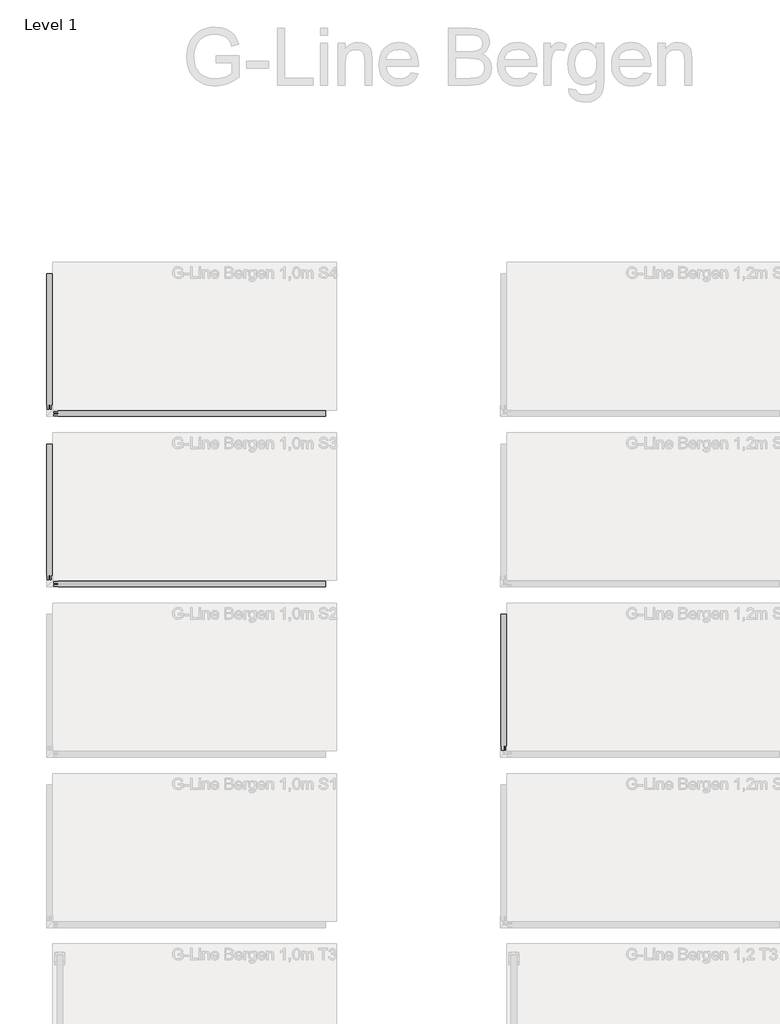
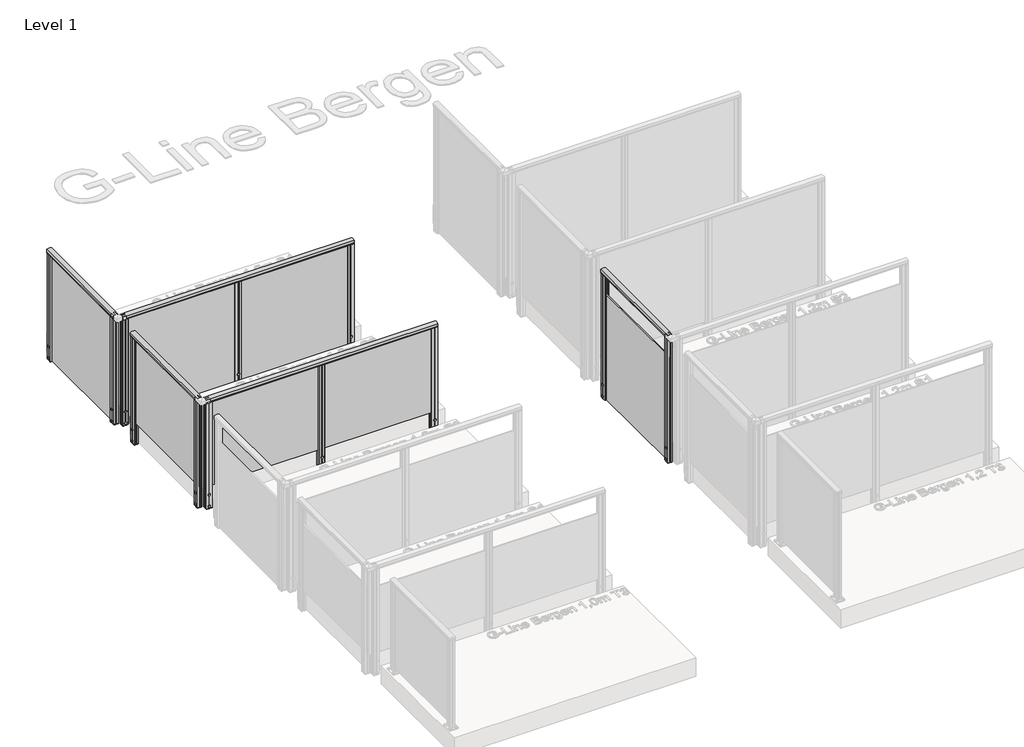
# One storey, part 7 of 14: 5 railings.
"""IFC4 building model written with IfcOpenShell, lengths in millimetres."""

from ifc_helpers import new_model, si_unit, point, frame, frame_2d, origin, place, context, project, spatial, polyline, circle_curve, trimmed, segment, composite_curve, outline, extrude, element, save

model = new_model("IFC4")

# Units and contexts
model_context = context("Model", 3, world=origin())
ifc_project = project(units=[si_unit("LENGTHUNIT", "METRE", prefix="MILLI")], contexts=[model_context])

# Site, building, storey
site = spatial("IfcSite", under=ifc_project)
building = spatial("IfcBuilding", under=site)
storey = spatial("IfcBuildingStorey", under=building, Name="Level 1", Elevation=0.0)

# Railings
placement = place(None, origin())
element("IfcRailing", 1, at=placement, inside=storey, context=model_context, shape_type="SweptSolid", body=[
    extrude(outline(composite_curve([segment(trimmed(circle_curve(frame_2d((942.6785502, -1888.3699367)), 57.3235687), [point((994.1390059, -1863.1149764))], [point((994.1342258, -1913.6346347))], False, "CARTESIAN"), True, "CONTINUOUS"), segment(polyline([(994.1342258, -1913.6346347), (967.0235023, -1913.6346347), (966.4415706, -1913.052703), (965.8194895, -1913.674784), (957.2498847, -1913.674784), (957.2498847, -1911.8698311), (980.4998829, -1911.8698311), (980.4998829, -1864.874785), (957.2498847, -1864.874785), (957.2498847, -1863.1149764), (965.9694895, -1863.1149764), (966.5842725, -1863.7297594), (967.1990555, -1863.1149764), (994.1390059, -1863.1149764)]), True, "CONTINUOUS")], self_intersect=False)), frame((0.0, 1485.7155458, 0.0), z_axis=(0.0, 1.0, 0.0), x_axis=(0.0, 0.0, 1.0)), (0.0, 0.0, 1.0), 1195.0),
    extrude(outline(polyline([(-1892.0345604, 2680.7155458), (-1883.2745604, 2680.7155458), (-1883.2745604, 1485.7155458), (-1892.0345604, 1485.7155458), (-1892.0345604, 2680.7155458)])), frame((0.0, 0.0, 28.0), z_axis=(0.0, 0.0, 1.0), x_axis=(1.0, 0.0, 0.0)), (0.0, 0.0, 1.0), 952.0),
    extrude(outline(polyline([(-1883.3086985, 1485.7171389), (-1883.3061212, 1503.2171387), (-1892.0661212, 1503.2184288), (-1892.0686984, 1485.718429), (-1910.1235058, 1485.7210879), (-1910.1192177, 1514.8380749), (-1909.2407956, 1515.7162383), (-1910.159128, 1516.7541062), (-1910.154862, 1545.7210931), (-1892.0598622, 1545.7184283), (-1892.0624394, 1528.2184285), (-1883.3024395, 1528.2171384), (-1883.2998623, 1545.7171382), (-1865.1949112, 1545.7144719), (-1865.1991844, 1516.6979964), (-1866.187574, 1515.7098979), (-1865.1594327, 1514.6814537), (-1865.1636986, 1485.7144667), (-1883.3086985, 1485.7171389)])), frame((0.0, 0.0, -202.0233958), z_axis=(0.0, 0.0, 1.0), x_axis=(1.0, 0.0, 0.0)), (0.0, 0.0, 1.0), 2.0),
    extrude(outline(composite_curve([segment(trimmed(circle_curve(frame_2d((0.0, 12.0)), 12.0), [point((0.0, 23.9999999))], [point((0.0, 0.0))], False, "CARTESIAN"), True, "CONTINUOUS"), segment(trimmed(circle_curve(frame_2d((0.0, 12.0)), 12.0), [point((0.0, 0.0))], [point((0.0, 23.9999999))], False, "CARTESIAN"), True, "CONTINUOUS")], self_intersect=False)), frame((-1910.1140255, 1527.7245834, -175.0), z_axis=(-0.9999999188284006, 0.0004029183446997833, 0.0), x_axis=(0.0, 0.0, -1.0)), (0.0, 0.0, 1.0), 3.0757477),
    extrude(outline(composite_curve([segment(trimmed(circle_curve(frame_2d((0.0, 12.0)), 12.0), [point((0.0, 23.9999999))], [point((0.0, 0.0))], False, "CARTESIAN"), True, "CONTINUOUS"), segment(trimmed(circle_curve(frame_2d((0.0, 12.0)), 12.0), [point((0.0, 0.0))], [point((0.0, 23.9999999))], False, "CARTESIAN"), True, "CONTINUOUS")], self_intersect=False)), frame((-1910.1140255, 1527.7245834, -50.0), z_axis=(-0.9999999188284006, 0.0004029183446997833, 0.0), x_axis=(0.0, 0.0, -1.0)), (0.0, 0.0, 1.0), 3.0757477),
    extrude(outline(polyline([(-1883.3086985, 1485.7171389), (-1883.3061212, 1503.2171387), (-1892.0661212, 1503.2184288), (-1892.0686984, 1485.718429), (-1910.1235058, 1485.7210879), (-1910.1192177, 1514.8380749), (-1909.2407956, 1515.7162383), (-1910.159128, 1516.7541062), (-1910.154862, 1545.7210931), (-1892.0598622, 1545.7184283), (-1892.0624394, 1528.2184285), (-1883.3024395, 1528.2171384), (-1883.2998623, 1545.7171382), (-1865.1949112, 1545.7144719), (-1865.1991844, 1516.6979964), (-1866.187574, 1515.7098979), (-1865.1594327, 1514.6814537), (-1865.1636986, 1485.7144667), (-1883.3086985, 1485.7171389)]), holes=[polyline([(-1908.1605761, 1524.5147608), (-1908.1605761, 1506.9207991), (-1867.1579846, 1506.9207991), (-1867.1579846, 1524.5147608), (-1908.1605761, 1524.5147608)]), polyline([(-1881.3026899, 1543.7147606), (-1881.3026899, 1526.5168439), (-1867.155157, 1526.5168439), (-1867.155157, 1543.7147606), (-1881.3026899, 1543.7147606)]), polyline([(-1908.1605761, 1543.7187229), (-1908.1605761, 1526.5207992), (-1894.0601567, 1526.5207992), (-1894.0601567, 1543.7187229), (-1908.1605761, 1543.7187229)]), polyline([(-1881.3084039, 1504.9147611), (-1881.3084039, 1487.7168444), (-1867.1608711, 1487.7168444), (-1867.1608711, 1504.9147611), (-1881.3084039, 1504.9147611)]), polyline([(-1908.2134036, 1504.9187233), (-1908.2134036, 1487.7208066), (-1894.0658708, 1487.7208066), (-1894.0658708, 1504.9187233), (-1908.2134036, 1504.9187233)])]), frame((0.0, 0.0, -200.0), z_axis=(0.0, 0.0, 1.0), x_axis=(1.0, 0.0, 0.0)), (0.0, 0.0, 1.0), 1181.0),
    extrude(outline(polyline([(-1883.3086985, 2620.7171389), (-1883.3061212, 2638.2171387), (-1892.0661212, 2638.2184288), (-1892.0686984, 2620.718429), (-1910.1235058, 2620.7210879), (-1910.1192177, 2649.8380749), (-1909.2407956, 2650.7162383), (-1910.159128, 2651.7541062), (-1910.154862, 2680.7210931), (-1892.0598622, 2680.7184283), (-1892.0624394, 2663.2184285), (-1883.3024395, 2663.2171384), (-1883.2998623, 2680.7171382), (-1865.1949112, 2680.7144719), (-1865.1991844, 2651.6979964), (-1866.187574, 2650.7098979), (-1865.1594327, 2649.6814537), (-1865.1636986, 2620.7144667), (-1883.3086985, 2620.7171389)])), frame((0.0, 0.0, -202.0233958), z_axis=(0.0, 0.0, 1.0), x_axis=(1.0, 0.0, 0.0)), (0.0, 0.0, 1.0), 2.0),
    extrude(outline(composite_curve([segment(trimmed(circle_curve(frame_2d((0.0, 12.0)), 12.0), [point((0.0, 23.9999999))], [point((0.0, 0.0))], False, "CARTESIAN"), True, "CONTINUOUS"), segment(trimmed(circle_curve(frame_2d((0.0, 12.0)), 12.0), [point((0.0, 0.0))], [point((0.0, 23.9999999))], False, "CARTESIAN"), True, "CONTINUOUS")], self_intersect=False)), frame((-1910.1140255, 2662.7245834, -175.0), z_axis=(-0.9999999188284006, 0.0004029183446997833, 0.0), x_axis=(0.0, 0.0, -1.0)), (0.0, 0.0, 1.0), 3.0757477),
    extrude(outline(composite_curve([segment(trimmed(circle_curve(frame_2d((0.0, 12.0)), 12.0), [point((0.0, 23.9999999))], [point((0.0, 0.0))], False, "CARTESIAN"), True, "CONTINUOUS"), segment(trimmed(circle_curve(frame_2d((0.0, 12.0)), 12.0), [point((0.0, 0.0))], [point((0.0, 23.9999999))], False, "CARTESIAN"), True, "CONTINUOUS")], self_intersect=False)), frame((-1910.1140255, 2662.7245834, -50.0), z_axis=(-0.9999999188284006, 0.0004029183446997833, 0.0), x_axis=(0.0, 0.0, -1.0)), (0.0, 0.0, 1.0), 3.0757477),
    extrude(outline(polyline([(-1883.3086985, 2620.7171389), (-1883.3061212, 2638.2171387), (-1892.0661212, 2638.2184288), (-1892.0686984, 2620.718429), (-1910.1235058, 2620.7210879), (-1910.1192177, 2649.8380749), (-1909.2407956, 2650.7162383), (-1910.159128, 2651.7541062), (-1910.154862, 2680.7210931), (-1892.0598622, 2680.7184283), (-1892.0624394, 2663.2184285), (-1883.3024395, 2663.2171384), (-1883.2998623, 2680.7171382), (-1865.1949112, 2680.7144719), (-1865.1991844, 2651.6979964), (-1866.187574, 2650.7098979), (-1865.1594327, 2649.6814537), (-1865.1636986, 2620.7144667), (-1883.3086985, 2620.7171389)]), holes=[polyline([(-1908.1605761, 2659.5147608), (-1908.1605761, 2641.9207991), (-1867.1579846, 2641.9207991), (-1867.1579846, 2659.5147608), (-1908.1605761, 2659.5147608)]), polyline([(-1881.3026899, 2678.7147606), (-1881.3026899, 2661.5168439), (-1867.155157, 2661.5168439), (-1867.155157, 2678.7147606), (-1881.3026899, 2678.7147606)]), polyline([(-1908.1605761, 2678.7187229), (-1908.1605761, 2661.5207992), (-1894.0601567, 2661.5207992), (-1894.0601567, 2678.7187229), (-1908.1605761, 2678.7187229)]), polyline([(-1881.3084039, 2639.9147611), (-1881.3084039, 2622.7168444), (-1867.1608711, 2622.7168444), (-1867.1608711, 2639.9147611), (-1881.3084039, 2639.9147611)]), polyline([(-1908.2134036, 2639.9187233), (-1908.2134036, 2622.7208066), (-1894.0658708, 2622.7208066), (-1894.0658708, 2639.9187233), (-1908.2134036, 2639.9187233)])]), frame((0.0, 0.0, -200.0), z_axis=(0.0, 0.0, 1.0), x_axis=(1.0, 0.0, 0.0)), (0.0, 0.0, 1.0), 1181.0),
])
element("IfcRailing", 2, at=placement, inside=storey, context=model_context, shape_type="SweptSolid", body=[
    extrude(outline(composite_curve([segment(polyline([(1475.2551298, 994.1390059), (1475.2551298, 967.1990555), (1474.6403468, 966.5842725), (1475.2551298, 965.9694895), (1475.2551298, 957.2498847), (1473.4953213, 957.2498847), (1473.4953213, 980.4998829), (1426.5002751, 980.4998829), (1426.5002751, 957.2498847), (1424.6953222, 957.2498847), (1424.6953222, 965.8194895), (1425.3174033, 966.4415706), (1424.7354716, 967.0235023), (1424.7354716, 994.1342258)]), True, "CONTINUOUS"), segment(trimmed(circle_curve(frame_2d((1450.0001695, 942.6785502)), 57.3235687), [point((1424.7354716, 994.1342258))], [point((1475.2551298, 994.1390059))], False, "CARTESIAN"), True, "CONTINUOUS")], self_intersect=False)), frame((-1852.6545604, 0.0, 0.0), z_axis=(1.0, 0.0, 0.0), x_axis=(0.0, 1.0, 0.0)), (0.0, 0.0, 1.0), 2395.0),
    extrude(outline(polyline([(-1852.6545604, 1446.3355458), (-1852.6545604, 1455.0955458), (542.3454396, 1455.0955458), (542.3454396, 1446.3355458), (-1852.6545604, 1446.3355458)])), frame((0.0, 0.0, 28.0), z_axis=(0.0, 0.0, 1.0), x_axis=(1.0, 0.0, 0.0)), (0.0, 0.0, 1.0), 952.0),
    extrude(outline(polyline([(-625.1561535, 1455.0614078), (-642.6561533, 1455.063985), (-642.6574434, 1446.3039851), (-625.1574436, 1446.3014079), (-625.1601025, 1428.2466005), (-654.2770895, 1428.2508885), (-655.1552529, 1429.1293106), (-656.1931208, 1428.2109783), (-685.1601078, 1428.2152442), (-685.1574429, 1446.310244), (-667.6574431, 1446.3076668), (-667.656153, 1455.0676667), (-685.1561528, 1455.0702439), (-685.1534865, 1473.175195), (-656.137011, 1473.1709218), (-655.1489125, 1472.1825322), (-654.1204683, 1473.2106735), (-625.1534813, 1473.2064076), (-625.1561535, 1455.0614078)])), frame((0.0, 0.0, -202.0233958), z_axis=(0.0, 0.0, 1.0), x_axis=(1.0, 0.0, 0.0)), (0.0, 0.0, 1.0), 2.0),
    extrude(outline(composite_curve([segment(trimmed(circle_curve(frame_2d((0.0, 12.0)), 12.0), [point((0.0, 24.0))], [point((0.0, 0.0))], False, "CARTESIAN"), True, "CONTINUOUS"), segment(trimmed(circle_curve(frame_2d((0.0, 12.0)), 12.0), [point((0.0, 0.0))], [point((0.0, 24.0))], False, "CARTESIAN"), True, "CONTINUOUS")], self_intersect=False)), frame((-667.1648373, 1425.1803333, -175.0), z_axis=(0.00040291834662179495, 0.9999999188283998, 0.0), x_axis=(0.0, 0.0, 1.0)), (0.0, 0.0, 1.0), 3.0757477),
    extrude(outline(composite_curve([segment(trimmed(circle_curve(frame_2d((0.0, 12.0)), 12.0), [point((0.0, 24.0))], [point((0.0, 0.0))], False, "CARTESIAN"), True, "CONTINUOUS"), segment(trimmed(circle_curve(frame_2d((0.0, 12.0)), 12.0), [point((0.0, 0.0))], [point((0.0, 24.0))], False, "CARTESIAN"), True, "CONTINUOUS")], self_intersect=False)), frame((-667.1648373, 1425.1803333, -50.0), z_axis=(0.00040291834662179495, 0.9999999188283998, 0.0), x_axis=(0.0, 0.0, 1.0)), (0.0, 0.0, 1.0), 3.0757477),
    extrude(outline(polyline([(-625.1561535, 1455.0614078), (-642.6561533, 1455.063985), (-642.6574434, 1446.3039851), (-625.1574436, 1446.3014079), (-625.1601025, 1428.2466005), (-654.2770895, 1428.2508885), (-655.1552529, 1429.1293106), (-656.1931208, 1428.2109783), (-685.1601078, 1428.2152442), (-685.1574429, 1446.310244), (-667.6574431, 1446.3076668), (-667.656153, 1455.0676667), (-685.1561528, 1455.0702439), (-685.1534865, 1473.175195), (-656.137011, 1473.1709218), (-655.1489125, 1472.1825322), (-654.1204683, 1473.2106735), (-625.1534813, 1473.2064076), (-625.1561535, 1455.0614078)]), holes=[polyline([(-663.9537754, 1430.2095302), (-646.3598137, 1430.2095302), (-646.3598137, 1471.2121217), (-663.9537754, 1471.2121217), (-663.9537754, 1430.2095302)]), polyline([(-683.1537752, 1457.0674163), (-665.9558585, 1457.0674163), (-665.9558585, 1471.2149492), (-683.1537752, 1471.2149492), (-683.1537752, 1457.0674163)]), polyline([(-683.1577375, 1430.2095302), (-665.9598138, 1430.2095302), (-665.9598138, 1444.3099495), (-683.1577375, 1444.3099495), (-683.1577375, 1430.2095302)]), polyline([(-644.3537757, 1457.0617023), (-627.155859, 1457.0617023), (-627.155859, 1471.2092352), (-644.3537757, 1471.2092352), (-644.3537757, 1457.0617023)]), polyline([(-644.3577379, 1430.1567026), (-627.1598212, 1430.1567026), (-627.1598212, 1444.3042355), (-644.3577379, 1444.3042355), (-644.3577379, 1430.1567026)])]), frame((0.0, 0.0, -200.0), z_axis=(0.0, 0.0, 1.0), x_axis=(1.0, 0.0, 0.0)), (0.0, 0.0, 1.0), 1181.0),
    extrude(outline(polyline([(542.3438465, 1455.0614078), (524.8438467, 1455.063985), (524.8425566, 1446.3039851), (542.3425564, 1446.3014079), (542.3398975, 1428.2466005), (513.2229105, 1428.2508885), (512.3447471, 1429.1293106), (511.3068792, 1428.2109783), (482.3398922, 1428.2152442), (482.3425571, 1446.310244), (499.8425569, 1446.3076668), (499.843847, 1455.0676667), (482.3438472, 1455.0702439), (482.3465135, 1473.175195), (511.362989, 1473.1709218), (512.3510875, 1472.1825322), (513.3795317, 1473.2106735), (542.3465187, 1473.2064076), (542.3438465, 1455.0614078)])), frame((0.0, 0.0, -202.0233958), z_axis=(0.0, 0.0, 1.0), x_axis=(1.0, 0.0, 0.0)), (0.0, 0.0, 1.0), 2.0),
    extrude(outline(composite_curve([segment(trimmed(circle_curve(frame_2d((0.0, 12.0)), 12.0), [point((0.0, 24.0))], [point((0.0, 0.0))], False, "CARTESIAN"), True, "CONTINUOUS"), segment(trimmed(circle_curve(frame_2d((0.0, 12.0)), 12.0), [point((0.0, 0.0))], [point((0.0, 24.0))], False, "CARTESIAN"), True, "CONTINUOUS")], self_intersect=False)), frame((500.3351627, 1425.1803333, -175.0), z_axis=(0.00040291834662179495, 0.9999999188283998, 0.0), x_axis=(0.0, 0.0, 1.0)), (0.0, 0.0, 1.0), 3.0757477),
    extrude(outline(composite_curve([segment(trimmed(circle_curve(frame_2d((0.0, 12.0)), 12.0), [point((0.0, 24.0))], [point((0.0, 0.0))], False, "CARTESIAN"), True, "CONTINUOUS"), segment(trimmed(circle_curve(frame_2d((0.0, 12.0)), 12.0), [point((0.0, 0.0))], [point((0.0, 24.0))], False, "CARTESIAN"), True, "CONTINUOUS")], self_intersect=False)), frame((500.3351627, 1425.1803333, -50.0), z_axis=(0.00040291834662179495, 0.9999999188283998, 0.0), x_axis=(0.0, 0.0, 1.0)), (0.0, 0.0, 1.0), 3.0757477),
    extrude(outline(polyline([(542.3438465, 1455.0614078), (524.8438467, 1455.063985), (524.8425566, 1446.3039851), (542.3425564, 1446.3014079), (542.3398975, 1428.2466005), (513.2229105, 1428.2508885), (512.3447471, 1429.1293106), (511.3068792, 1428.2109783), (482.3398922, 1428.2152442), (482.3425571, 1446.310244), (499.8425569, 1446.3076668), (499.843847, 1455.0676667), (482.3438472, 1455.0702439), (482.3465135, 1473.175195), (511.362989, 1473.1709218), (512.3510875, 1472.1825322), (513.3795317, 1473.2106735), (542.3465187, 1473.2064076), (542.3438465, 1455.0614078)]), holes=[polyline([(503.5462246, 1430.2095302), (521.1401863, 1430.2095302), (521.1401863, 1471.2121217), (503.5462246, 1471.2121217), (503.5462246, 1430.2095302)]), polyline([(484.3462248, 1457.0674163), (501.5441415, 1457.0674163), (501.5441415, 1471.2149492), (484.3462248, 1471.2149492), (484.3462248, 1457.0674163)]), polyline([(484.3422625, 1430.2095302), (501.5401862, 1430.2095302), (501.5401862, 1444.3099495), (484.3422625, 1444.3099495), (484.3422625, 1430.2095302)]), polyline([(523.1462243, 1457.0617023), (540.344141, 1457.0617023), (540.344141, 1471.2092352), (523.1462243, 1471.2092352), (523.1462243, 1457.0617023)]), polyline([(523.1422621, 1430.1567026), (540.3401788, 1430.1567026), (540.3401788, 1444.3042355), (523.1422621, 1444.3042355), (523.1422621, 1430.1567026)])]), frame((0.0, 0.0, -200.0), z_axis=(0.0, 0.0, 1.0), x_axis=(1.0, 0.0, 0.0)), (0.0, 0.0, 1.0), 1181.0),
    extrude(outline(polyline([(-1792.6561535, 1455.0614078), (-1810.1561533, 1455.063985), (-1810.1574434, 1446.3039851), (-1792.6574436, 1446.3014079), (-1792.6601025, 1428.2466005), (-1821.7770895, 1428.2508885), (-1822.6552529, 1429.1293106), (-1823.6931208, 1428.2109783), (-1852.6601078, 1428.2152442), (-1852.6574429, 1446.310244), (-1835.1574431, 1446.3076668), (-1835.156153, 1455.0676667), (-1852.6561528, 1455.0702439), (-1852.6534865, 1473.175195), (-1823.637011, 1473.1709218), (-1822.6489125, 1472.1825322), (-1821.6204683, 1473.2106735), (-1792.6534813, 1473.2064076), (-1792.6561535, 1455.0614078)])), frame((0.0, 0.0, -202.0233958), z_axis=(0.0, 0.0, 1.0), x_axis=(1.0, 0.0, 0.0)), (0.0, 0.0, 1.0), 2.0),
    extrude(outline(composite_curve([segment(trimmed(circle_curve(frame_2d((0.0, 12.0)), 12.0), [point((0.0, 24.0))], [point((0.0, 0.0))], False, "CARTESIAN"), True, "CONTINUOUS"), segment(trimmed(circle_curve(frame_2d((0.0, 12.0)), 12.0), [point((0.0, 0.0))], [point((0.0, 24.0))], False, "CARTESIAN"), True, "CONTINUOUS")], self_intersect=False)), frame((-1834.6648373, 1425.1803333, -175.0), z_axis=(0.00040291834662179495, 0.9999999188283998, 0.0), x_axis=(0.0, 0.0, 1.0)), (0.0, 0.0, 1.0), 3.0757477),
    extrude(outline(composite_curve([segment(trimmed(circle_curve(frame_2d((0.0, 12.0)), 12.0), [point((0.0, 24.0))], [point((0.0, 0.0))], False, "CARTESIAN"), True, "CONTINUOUS"), segment(trimmed(circle_curve(frame_2d((0.0, 12.0)), 12.0), [point((0.0, 0.0))], [point((0.0, 24.0))], False, "CARTESIAN"), True, "CONTINUOUS")], self_intersect=False)), frame((-1834.6648373, 1425.1803333, -50.0), z_axis=(0.00040291834662179495, 0.9999999188283998, 0.0), x_axis=(0.0, 0.0, 1.0)), (0.0, 0.0, 1.0), 3.0757477),
    extrude(outline(polyline([(-1792.6561535, 1455.0614078), (-1810.1561533, 1455.063985), (-1810.1574434, 1446.3039851), (-1792.6574436, 1446.3014079), (-1792.6601025, 1428.2466005), (-1821.7770895, 1428.2508885), (-1822.6552529, 1429.1293106), (-1823.6931208, 1428.2109783), (-1852.6601078, 1428.2152442), (-1852.6574429, 1446.310244), (-1835.1574431, 1446.3076668), (-1835.156153, 1455.0676667), (-1852.6561528, 1455.0702439), (-1852.6534865, 1473.175195), (-1823.637011, 1473.1709218), (-1822.6489125, 1472.1825322), (-1821.6204683, 1473.2106735), (-1792.6534813, 1473.2064076), (-1792.6561535, 1455.0614078)]), holes=[polyline([(-1831.4537754, 1430.2095302), (-1813.8598137, 1430.2095302), (-1813.8598137, 1471.2121217), (-1831.4537754, 1471.2121217), (-1831.4537754, 1430.2095302)]), polyline([(-1850.6537752, 1457.0674163), (-1833.4558585, 1457.0674163), (-1833.4558585, 1471.2149492), (-1850.6537752, 1471.2149492), (-1850.6537752, 1457.0674163)]), polyline([(-1850.6577375, 1430.2095302), (-1833.4598138, 1430.2095302), (-1833.4598138, 1444.3099495), (-1850.6577375, 1444.3099495), (-1850.6577375, 1430.2095302)]), polyline([(-1811.8537757, 1457.0617023), (-1794.655859, 1457.0617023), (-1794.655859, 1471.2092352), (-1811.8537757, 1471.2092352), (-1811.8537757, 1457.0617023)]), polyline([(-1811.8577379, 1430.1567026), (-1794.6598212, 1430.1567026), (-1794.6598212, 1444.3042355), (-1811.8577379, 1444.3042355), (-1811.8577379, 1430.1567026)])]), frame((0.0, 0.0, -200.0), z_axis=(0.0, 0.0, 1.0), x_axis=(1.0, 0.0, 0.0)), (0.0, 0.0, 1.0), 1181.0),
])
element("IfcRailing", 3, at=placement, inside=storey, context=model_context, shape_type="SweptSolid", body=[
    extrude(outline(composite_curve([segment(trimmed(circle_curve(frame_2d((942.6785502, -1888.3699367)), 57.3235687), [point((994.1390059, -1863.1149764))], [point((994.1342258, -1913.6346347))], False, "CARTESIAN"), True, "CONTINUOUS"), segment(polyline([(994.1342258, -1913.6346347), (967.0235023, -1913.6346347), (966.4415706, -1913.052703), (965.8194895, -1913.674784), (957.2498847, -1913.674784), (957.2498847, -1911.8698311), (980.4998829, -1911.8698311), (980.4998829, -1864.874785), (957.2498847, -1864.874785), (957.2498847, -1863.1149764), (965.9694895, -1863.1149764), (966.5842725, -1863.7297594), (967.1990555, -1863.1149764), (994.1390059, -1863.1149764)]), True, "CONTINUOUS")], self_intersect=False)), frame((0.0, 2985.7155458, 0.0), z_axis=(0.0, 1.0, 0.0), x_axis=(0.0, 0.0, 1.0)), (0.0, 0.0, 1.0), 1195.0),
    extrude(outline(polyline([(-1888.5501775, 4180.7155458), (-1886.6864946, 4180.7155458), (-1886.6864946, 2985.7155458), (-1888.5501775, 2985.7155458), (-1888.5501775, 4180.7155458)])), frame((0.0, 0.0, -200.0), z_axis=(0.0, 0.0, 1.0), x_axis=(1.0, 0.0, 0.0)), (0.0, 0.0, 1.0), 1.1703418),
    extrude(outline(polyline([(-1892.0345604, 4180.7155458), (-1883.2745604, 4180.7155458), (-1883.2745604, 2985.7155458), (-1892.0345604, 2985.7155458), (-1892.0345604, 4180.7155458)])), frame((0.0, 0.0, -200.0), z_axis=(0.0, 0.0, 1.0), x_axis=(1.0, 0.0, 0.0)), (0.0, 0.0, 1.0), 1180.0),
    extrude(outline(polyline([(-1883.3086985, 2985.7171389), (-1883.3061212, 3003.2171387), (-1892.0661212, 3003.2184288), (-1892.0686984, 2985.718429), (-1910.1235058, 2985.7210879), (-1910.1192177, 3014.8380749), (-1909.2407956, 3015.7162383), (-1910.159128, 3016.7541062), (-1910.154862, 3045.7210931), (-1892.0598622, 3045.7184283), (-1892.0624394, 3028.2184285), (-1883.3024395, 3028.2171384), (-1883.2998623, 3045.7171382), (-1865.1949112, 3045.7144719), (-1865.1991844, 3016.6979964), (-1866.187574, 3015.7098979), (-1865.1594327, 3014.6814537), (-1865.1636986, 2985.7144667), (-1883.3086985, 2985.7171389)])), frame((0.0, 0.0, -202.0233958), z_axis=(0.0, 0.0, 1.0), x_axis=(1.0, 0.0, 0.0)), (0.0, 0.0, 1.0), 2.0),
    extrude(outline(composite_curve([segment(trimmed(circle_curve(frame_2d((0.0, 12.0)), 12.0), [point((0.0, 23.9999999))], [point((0.0, 0.0))], False, "CARTESIAN"), True, "CONTINUOUS"), segment(trimmed(circle_curve(frame_2d((0.0, 12.0)), 12.0), [point((0.0, 0.0))], [point((0.0, 23.9999999))], False, "CARTESIAN"), True, "CONTINUOUS")], self_intersect=False)), frame((-1910.1140255, 3027.7245834, -175.0), z_axis=(-0.9999999188284006, 0.0004029183446997833, 0.0), x_axis=(0.0, 0.0, -1.0)), (0.0, 0.0, 1.0), 3.0757477),
    extrude(outline(composite_curve([segment(trimmed(circle_curve(frame_2d((0.0, 12.0)), 12.0), [point((0.0, 23.9999999))], [point((0.0, 0.0))], False, "CARTESIAN"), True, "CONTINUOUS"), segment(trimmed(circle_curve(frame_2d((0.0, 12.0)), 12.0), [point((0.0, 0.0))], [point((0.0, 23.9999999))], False, "CARTESIAN"), True, "CONTINUOUS")], self_intersect=False)), frame((-1910.1140255, 3027.7245834, -50.0), z_axis=(-0.9999999188284006, 0.0004029183446997833, 0.0), x_axis=(0.0, 0.0, -1.0)), (0.0, 0.0, 1.0), 3.0757477),
    extrude(outline(polyline([(-1883.3086985, 2985.7171389), (-1883.3061212, 3003.2171387), (-1892.0661212, 3003.2184288), (-1892.0686984, 2985.718429), (-1910.1235058, 2985.7210879), (-1910.1192177, 3014.8380749), (-1909.2407956, 3015.7162383), (-1910.159128, 3016.7541062), (-1910.154862, 3045.7210931), (-1892.0598622, 3045.7184283), (-1892.0624394, 3028.2184285), (-1883.3024395, 3028.2171384), (-1883.2998623, 3045.7171382), (-1865.1949112, 3045.7144719), (-1865.1991844, 3016.6979964), (-1866.187574, 3015.7098979), (-1865.1594327, 3014.6814537), (-1865.1636986, 2985.7144667), (-1883.3086985, 2985.7171389)]), holes=[polyline([(-1908.1605761, 3024.5147608), (-1908.1605761, 3006.9207991), (-1867.1579846, 3006.9207991), (-1867.1579846, 3024.5147608), (-1908.1605761, 3024.5147608)]), polyline([(-1881.3026899, 3043.7147606), (-1881.3026899, 3026.5168439), (-1867.155157, 3026.5168439), (-1867.155157, 3043.7147606), (-1881.3026899, 3043.7147606)]), polyline([(-1908.1605761, 3043.7187229), (-1908.1605761, 3026.5207992), (-1894.0601567, 3026.5207992), (-1894.0601567, 3043.7187229), (-1908.1605761, 3043.7187229)]), polyline([(-1881.3084039, 3004.9147611), (-1881.3084039, 2987.7168444), (-1867.1608711, 2987.7168444), (-1867.1608711, 3004.9147611), (-1881.3084039, 3004.9147611)]), polyline([(-1908.2134036, 3004.9187233), (-1908.2134036, 2987.7208066), (-1894.0658708, 2987.7208066), (-1894.0658708, 3004.9187233), (-1908.2134036, 3004.9187233)])]), frame((0.0, 0.0, -200.0), z_axis=(0.0, 0.0, 1.0), x_axis=(1.0, 0.0, 0.0)), (0.0, 0.0, 1.0), 1181.0),
    extrude(outline(polyline([(-1883.3086985, 4120.7171389), (-1883.3061212, 4138.2171387), (-1892.0661212, 4138.2184288), (-1892.0686984, 4120.718429), (-1910.1235058, 4120.7210879), (-1910.1192177, 4149.8380749), (-1909.2407956, 4150.7162383), (-1910.159128, 4151.7541062), (-1910.154862, 4180.7210931), (-1892.0598622, 4180.7184283), (-1892.0624394, 4163.2184285), (-1883.3024395, 4163.2171384), (-1883.2998623, 4180.7171382), (-1865.1949112, 4180.7144719), (-1865.1991844, 4151.6979964), (-1866.187574, 4150.7098979), (-1865.1594327, 4149.6814537), (-1865.1636986, 4120.7144667), (-1883.3086985, 4120.7171389)])), frame((0.0, 0.0, -202.0233958), z_axis=(0.0, 0.0, 1.0), x_axis=(1.0, 0.0, 0.0)), (0.0, 0.0, 1.0), 2.0),
    extrude(outline(composite_curve([segment(trimmed(circle_curve(frame_2d((0.0, 12.0)), 12.0), [point((0.0, 23.9999999))], [point((0.0, 0.0))], False, "CARTESIAN"), True, "CONTINUOUS"), segment(trimmed(circle_curve(frame_2d((0.0, 12.0)), 12.0), [point((0.0, 0.0))], [point((0.0, 23.9999999))], False, "CARTESIAN"), True, "CONTINUOUS")], self_intersect=False)), frame((-1910.1140255, 4162.7245834, -175.0), z_axis=(-0.9999999188284006, 0.0004029183446997833, 0.0), x_axis=(0.0, 0.0, -1.0)), (0.0, 0.0, 1.0), 3.0757477),
    extrude(outline(composite_curve([segment(trimmed(circle_curve(frame_2d((0.0, 12.0)), 12.0), [point((0.0, 23.9999999))], [point((0.0, 0.0))], False, "CARTESIAN"), True, "CONTINUOUS"), segment(trimmed(circle_curve(frame_2d((0.0, 12.0)), 12.0), [point((0.0, 0.0))], [point((0.0, 23.9999999))], False, "CARTESIAN"), True, "CONTINUOUS")], self_intersect=False)), frame((-1910.1140255, 4162.7245834, -50.0), z_axis=(-0.9999999188284006, 0.0004029183446997833, 0.0), x_axis=(0.0, 0.0, -1.0)), (0.0, 0.0, 1.0), 3.0757477),
    extrude(outline(polyline([(-1883.3086985, 4120.7171389), (-1883.3061212, 4138.2171387), (-1892.0661212, 4138.2184288), (-1892.0686984, 4120.718429), (-1910.1235058, 4120.7210879), (-1910.1192177, 4149.8380749), (-1909.2407956, 4150.7162383), (-1910.159128, 4151.7541062), (-1910.154862, 4180.7210931), (-1892.0598622, 4180.7184283), (-1892.0624394, 4163.2184285), (-1883.3024395, 4163.2171384), (-1883.2998623, 4180.7171382), (-1865.1949112, 4180.7144719), (-1865.1991844, 4151.6979964), (-1866.187574, 4150.7098979), (-1865.1594327, 4149.6814537), (-1865.1636986, 4120.7144667), (-1883.3086985, 4120.7171389)]), holes=[polyline([(-1908.1605761, 4159.5147608), (-1908.1605761, 4141.9207991), (-1867.1579846, 4141.9207991), (-1867.1579846, 4159.5147608), (-1908.1605761, 4159.5147608)]), polyline([(-1881.3026899, 4178.7147606), (-1881.3026899, 4161.5168439), (-1867.155157, 4161.5168439), (-1867.155157, 4178.7147606), (-1881.3026899, 4178.7147606)]), polyline([(-1908.1605761, 4178.7187229), (-1908.1605761, 4161.5207992), (-1894.0601567, 4161.5207992), (-1894.0601567, 4178.7187229), (-1908.1605761, 4178.7187229)]), polyline([(-1881.3084039, 4139.9147611), (-1881.3084039, 4122.7168444), (-1867.1608711, 4122.7168444), (-1867.1608711, 4139.9147611), (-1881.3084039, 4139.9147611)]), polyline([(-1908.2134036, 4139.9187233), (-1908.2134036, 4122.7208066), (-1894.0658708, 4122.7208066), (-1894.0658708, 4139.9187233), (-1908.2134036, 4139.9187233)])]), frame((0.0, 0.0, -200.0), z_axis=(0.0, 0.0, 1.0), x_axis=(1.0, 0.0, 0.0)), (0.0, 0.0, 1.0), 1181.0),
])
element("IfcRailing", 4, at=placement, inside=storey, context=model_context, shape_type="SweptSolid", body=[
    extrude(outline(composite_curve([segment(polyline([(2975.2551298, 994.1390059), (2975.2551298, 967.1990555), (2974.6403468, 966.5842725), (2975.2551298, 965.9694895), (2975.2551298, 957.2498847), (2973.4953213, 957.2498847), (2973.4953213, 980.4998829), (2926.5002751, 980.4998829), (2926.5002751, 957.2498847), (2924.6953222, 957.2498847), (2924.6953222, 965.8194895), (2925.3174033, 966.4415706), (2924.7354716, 967.0235023), (2924.7354716, 994.1342258)]), True, "CONTINUOUS"), segment(trimmed(circle_curve(frame_2d((2950.0001695, 942.6785502)), 57.3235687), [point((2924.7354716, 994.1342258))], [point((2975.2551298, 994.1390059))], False, "CARTESIAN"), True, "CONTINUOUS")], self_intersect=False)), frame((-1852.6545604, 0.0, 0.0), z_axis=(1.0, 0.0, 0.0), x_axis=(0.0, 1.0, 0.0)), (0.0, 0.0, 1.0), 2395.0),
    extrude(outline(polyline([(-1852.6545604, 2949.8199287), (-1852.6545604, 2951.6836116), (542.3454396, 2951.6836116), (542.3454396, 2949.8199287), (-1852.6545604, 2949.8199287)])), frame((0.0, 0.0, -200.0), z_axis=(0.0, 0.0, 1.0), x_axis=(1.0, 0.0, 0.0)), (0.0, 0.0, 1.0), 1.1703418),
    extrude(outline(polyline([(-1852.6545604, 2946.3355458), (-1852.6545604, 2955.0955458), (542.3454396, 2955.0955458), (542.3454396, 2946.3355458), (-1852.6545604, 2946.3355458)])), frame((0.0, 0.0, -200.0), z_axis=(0.0, 0.0, 1.0), x_axis=(1.0, 0.0, 0.0)), (0.0, 0.0, 1.0), 1180.0),
    extrude(outline(polyline([(-625.1561535, 2955.0614078), (-642.6561533, 2955.063985), (-642.6574434, 2946.3039851), (-625.1574436, 2946.3014079), (-625.1601025, 2928.2466005), (-654.2770895, 2928.2508885), (-655.1552529, 2929.1293106), (-656.1931208, 2928.2109783), (-685.1601078, 2928.2152442), (-685.1574429, 2946.310244), (-667.6574431, 2946.3076668), (-667.656153, 2955.0676667), (-685.1561528, 2955.0702439), (-685.1534865, 2973.175195), (-656.137011, 2973.1709218), (-655.1489125, 2972.1825322), (-654.1204683, 2973.2106735), (-625.1534813, 2973.2064076), (-625.1561535, 2955.0614078)])), frame((0.0, 0.0, -202.0233958), z_axis=(0.0, 0.0, 1.0), x_axis=(1.0, 0.0, 0.0)), (0.0, 0.0, 1.0), 2.0),
    extrude(outline(composite_curve([segment(trimmed(circle_curve(frame_2d((0.0, 12.0)), 12.0), [point((0.0, 24.0))], [point((0.0, 0.0))], False, "CARTESIAN"), True, "CONTINUOUS"), segment(trimmed(circle_curve(frame_2d((0.0, 12.0)), 12.0), [point((0.0, 0.0))], [point((0.0, 24.0))], False, "CARTESIAN"), True, "CONTINUOUS")], self_intersect=False)), frame((-667.1648373, 2925.1803333, -175.0), z_axis=(0.00040291834662179495, 0.9999999188283998, 0.0), x_axis=(0.0, 0.0, 1.0)), (0.0, 0.0, 1.0), 3.0757477),
    extrude(outline(composite_curve([segment(trimmed(circle_curve(frame_2d((0.0, 12.0)), 12.0), [point((0.0, 24.0))], [point((0.0, 0.0))], False, "CARTESIAN"), True, "CONTINUOUS"), segment(trimmed(circle_curve(frame_2d((0.0, 12.0)), 12.0), [point((0.0, 0.0))], [point((0.0, 24.0))], False, "CARTESIAN"), True, "CONTINUOUS")], self_intersect=False)), frame((-667.1648373, 2925.1803333, -50.0), z_axis=(0.00040291834662179495, 0.9999999188283998, 0.0), x_axis=(0.0, 0.0, 1.0)), (0.0, 0.0, 1.0), 3.0757477),
    extrude(outline(polyline([(-625.1561535, 2955.0614078), (-642.6561533, 2955.063985), (-642.6574434, 2946.3039851), (-625.1574436, 2946.3014079), (-625.1601025, 2928.2466005), (-654.2770895, 2928.2508885), (-655.1552529, 2929.1293106), (-656.1931208, 2928.2109783), (-685.1601078, 2928.2152442), (-685.1574429, 2946.310244), (-667.6574431, 2946.3076668), (-667.656153, 2955.0676667), (-685.1561528, 2955.0702439), (-685.1534865, 2973.175195), (-656.137011, 2973.1709218), (-655.1489125, 2972.1825322), (-654.1204683, 2973.2106735), (-625.1534813, 2973.2064076), (-625.1561535, 2955.0614078)]), holes=[polyline([(-663.9537754, 2930.2095302), (-646.3598137, 2930.2095302), (-646.3598137, 2971.2121217), (-663.9537754, 2971.2121217), (-663.9537754, 2930.2095302)]), polyline([(-683.1537752, 2957.0674163), (-665.9558585, 2957.0674163), (-665.9558585, 2971.2149492), (-683.1537752, 2971.2149492), (-683.1537752, 2957.0674163)]), polyline([(-683.1577375, 2930.2095302), (-665.9598138, 2930.2095302), (-665.9598138, 2944.3099495), (-683.1577375, 2944.3099495), (-683.1577375, 2930.2095302)]), polyline([(-644.3537757, 2957.0617023), (-627.155859, 2957.0617023), (-627.155859, 2971.2092352), (-644.3537757, 2971.2092352), (-644.3537757, 2957.0617023)]), polyline([(-644.3577379, 2930.1567026), (-627.1598212, 2930.1567026), (-627.1598212, 2944.3042355), (-644.3577379, 2944.3042355), (-644.3577379, 2930.1567026)])]), frame((0.0, 0.0, -200.0), z_axis=(0.0, 0.0, 1.0), x_axis=(1.0, 0.0, 0.0)), (0.0, 0.0, 1.0), 1181.0),
    extrude(outline(polyline([(542.3438465, 2955.0614078), (524.8438467, 2955.063985), (524.8425566, 2946.3039851), (542.3425564, 2946.3014079), (542.3398975, 2928.2466005), (513.2229105, 2928.2508885), (512.3447471, 2929.1293106), (511.3068792, 2928.2109783), (482.3398922, 2928.2152442), (482.3425571, 2946.310244), (499.8425569, 2946.3076668), (499.843847, 2955.0676667), (482.3438472, 2955.0702439), (482.3465135, 2973.175195), (511.362989, 2973.1709218), (512.3510875, 2972.1825322), (513.3795317, 2973.2106735), (542.3465187, 2973.2064076), (542.3438465, 2955.0614078)])), frame((0.0, 0.0, -202.0233958), z_axis=(0.0, 0.0, 1.0), x_axis=(1.0, 0.0, 0.0)), (0.0, 0.0, 1.0), 2.0),
    extrude(outline(composite_curve([segment(trimmed(circle_curve(frame_2d((0.0, 12.0)), 12.0), [point((0.0, 24.0))], [point((0.0, 0.0))], False, "CARTESIAN"), True, "CONTINUOUS"), segment(trimmed(circle_curve(frame_2d((0.0, 12.0)), 12.0), [point((0.0, 0.0))], [point((0.0, 24.0))], False, "CARTESIAN"), True, "CONTINUOUS")], self_intersect=False)), frame((500.3351627, 2925.1803333, -175.0), z_axis=(0.00040291834662179495, 0.9999999188283998, 0.0), x_axis=(0.0, 0.0, 1.0)), (0.0, 0.0, 1.0), 3.0757477),
    extrude(outline(composite_curve([segment(trimmed(circle_curve(frame_2d((0.0, 12.0)), 12.0), [point((0.0, 24.0))], [point((0.0, 0.0))], False, "CARTESIAN"), True, "CONTINUOUS"), segment(trimmed(circle_curve(frame_2d((0.0, 12.0)), 12.0), [point((0.0, 0.0))], [point((0.0, 24.0))], False, "CARTESIAN"), True, "CONTINUOUS")], self_intersect=False)), frame((500.3351627, 2925.1803333, -50.0), z_axis=(0.00040291834662179495, 0.9999999188283998, 0.0), x_axis=(0.0, 0.0, 1.0)), (0.0, 0.0, 1.0), 3.0757477),
    extrude(outline(polyline([(542.3438465, 2955.0614078), (524.8438467, 2955.063985), (524.8425566, 2946.3039851), (542.3425564, 2946.3014079), (542.3398975, 2928.2466005), (513.2229105, 2928.2508885), (512.3447471, 2929.1293106), (511.3068792, 2928.2109783), (482.3398922, 2928.2152442), (482.3425571, 2946.310244), (499.8425569, 2946.3076668), (499.843847, 2955.0676667), (482.3438472, 2955.0702439), (482.3465135, 2973.175195), (511.362989, 2973.1709218), (512.3510875, 2972.1825322), (513.3795317, 2973.2106735), (542.3465187, 2973.2064076), (542.3438465, 2955.0614078)]), holes=[polyline([(503.5462246, 2930.2095302), (521.1401863, 2930.2095302), (521.1401863, 2971.2121217), (503.5462246, 2971.2121217), (503.5462246, 2930.2095302)]), polyline([(484.3462248, 2957.0674163), (501.5441415, 2957.0674163), (501.5441415, 2971.2149492), (484.3462248, 2971.2149492), (484.3462248, 2957.0674163)]), polyline([(484.3422625, 2930.2095302), (501.5401862, 2930.2095302), (501.5401862, 2944.3099495), (484.3422625, 2944.3099495), (484.3422625, 2930.2095302)]), polyline([(523.1462243, 2957.0617023), (540.344141, 2957.0617023), (540.344141, 2971.2092352), (523.1462243, 2971.2092352), (523.1462243, 2957.0617023)]), polyline([(523.1422621, 2930.1567026), (540.3401788, 2930.1567026), (540.3401788, 2944.3042355), (523.1422621, 2944.3042355), (523.1422621, 2930.1567026)])]), frame((0.0, 0.0, -200.0), z_axis=(0.0, 0.0, 1.0), x_axis=(1.0, 0.0, 0.0)), (0.0, 0.0, 1.0), 1181.0),
    extrude(outline(polyline([(-1792.6561535, 2955.0614078), (-1810.1561533, 2955.063985), (-1810.1574434, 2946.3039851), (-1792.6574436, 2946.3014079), (-1792.6601025, 2928.2466005), (-1821.7770895, 2928.2508885), (-1822.6552529, 2929.1293106), (-1823.6931208, 2928.2109783), (-1852.6601078, 2928.2152442), (-1852.6574429, 2946.310244), (-1835.1574431, 2946.3076668), (-1835.156153, 2955.0676667), (-1852.6561528, 2955.0702439), (-1852.6534865, 2973.175195), (-1823.637011, 2973.1709218), (-1822.6489125, 2972.1825322), (-1821.6204683, 2973.2106735), (-1792.6534813, 2973.2064076), (-1792.6561535, 2955.0614078)])), frame((0.0, 0.0, -202.0233958), z_axis=(0.0, 0.0, 1.0), x_axis=(1.0, 0.0, 0.0)), (0.0, 0.0, 1.0), 2.0),
    extrude(outline(composite_curve([segment(trimmed(circle_curve(frame_2d((0.0, 12.0)), 12.0), [point((0.0, 24.0))], [point((0.0, 0.0))], False, "CARTESIAN"), True, "CONTINUOUS"), segment(trimmed(circle_curve(frame_2d((0.0, 12.0)), 12.0), [point((0.0, 0.0))], [point((0.0, 24.0))], False, "CARTESIAN"), True, "CONTINUOUS")], self_intersect=False)), frame((-1834.6648373, 2925.1803333, -175.0), z_axis=(0.00040291834662179495, 0.9999999188283998, 0.0), x_axis=(0.0, 0.0, 1.0)), (0.0, 0.0, 1.0), 3.0757477),
    extrude(outline(composite_curve([segment(trimmed(circle_curve(frame_2d((0.0, 12.0)), 12.0), [point((0.0, 24.0))], [point((0.0, 0.0))], False, "CARTESIAN"), True, "CONTINUOUS"), segment(trimmed(circle_curve(frame_2d((0.0, 12.0)), 12.0), [point((0.0, 0.0))], [point((0.0, 24.0))], False, "CARTESIAN"), True, "CONTINUOUS")], self_intersect=False)), frame((-1834.6648373, 2925.1803333, -50.0), z_axis=(0.00040291834662179495, 0.9999999188283998, 0.0), x_axis=(0.0, 0.0, 1.0)), (0.0, 0.0, 1.0), 3.0757477),
    extrude(outline(polyline([(-1792.6561535, 2955.0614078), (-1810.1561533, 2955.063985), (-1810.1574434, 2946.3039851), (-1792.6574436, 2946.3014079), (-1792.6601025, 2928.2466005), (-1821.7770895, 2928.2508885), (-1822.6552529, 2929.1293106), (-1823.6931208, 2928.2109783), (-1852.6601078, 2928.2152442), (-1852.6574429, 2946.310244), (-1835.1574431, 2946.3076668), (-1835.156153, 2955.0676667), (-1852.6561528, 2955.0702439), (-1852.6534865, 2973.175195), (-1823.637011, 2973.1709218), (-1822.6489125, 2972.1825322), (-1821.6204683, 2973.2106735), (-1792.6534813, 2973.2064076), (-1792.6561535, 2955.0614078)]), holes=[polyline([(-1831.4537754, 2930.2095302), (-1813.8598137, 2930.2095302), (-1813.8598137, 2971.2121217), (-1831.4537754, 2971.2121217), (-1831.4537754, 2930.2095302)]), polyline([(-1850.6537752, 2957.0674163), (-1833.4558585, 2957.0674163), (-1833.4558585, 2971.2149492), (-1850.6537752, 2971.2149492), (-1850.6537752, 2957.0674163)]), polyline([(-1850.6577375, 2930.2095302), (-1833.4598138, 2930.2095302), (-1833.4598138, 2944.3099495), (-1850.6577375, 2944.3099495), (-1850.6577375, 2930.2095302)]), polyline([(-1811.8537757, 2957.0617023), (-1794.655859, 2957.0617023), (-1794.655859, 2971.2092352), (-1811.8537757, 2971.2092352), (-1811.8537757, 2957.0617023)]), polyline([(-1811.8577379, 2930.1567026), (-1794.6598212, 2930.1567026), (-1794.6598212, 2944.3042355), (-1811.8577379, 2944.3042355), (-1811.8577379, 2930.1567026)])]), frame((0.0, 0.0, -200.0), z_axis=(0.0, 0.0, 1.0), x_axis=(1.0, 0.0, 0.0)), (0.0, 0.0, 1.0), 1181.0),
])
element("IfcRailing", 5, at=placement, inside=storey, context=model_context, shape_type="SweptSolid", body=[
    extrude(outline(composite_curve([segment(trimmed(circle_curve(frame_2d((1142.6785502, 2111.6300633)), 57.3235687), [point((1194.1390059, 2136.8850236))], [point((1194.1342258, 2086.3653653))], False, "CARTESIAN"), True, "CONTINUOUS"), segment(polyline([(1194.1342258, 2086.3653653), (1167.0235023, 2086.3653653), (1166.4415706, 2086.947297), (1165.8194895, 2086.325216), (1157.2498847, 2086.325216), (1157.2498847, 2088.1301689), (1180.4998829, 2088.1301689), (1180.4998829, 2135.125215), (1157.2498847, 2135.125215), (1157.2498847, 2136.8850236), (1165.9694895, 2136.8850236), (1166.5842725, 2136.2702406), (1167.1990555, 2136.8850236), (1194.1390059, 2136.8850236)]), True, "CONTINUOUS")], self_intersect=False)), frame((0.0, -14.2844542, 0.0), z_axis=(0.0, 1.0, 0.0), x_axis=(0.0, 0.0, 1.0)), (0.0, 0.0, 1.0), 1195.0),
    extrude(outline(polyline([(2111.4498225, 1180.7155458), (2113.3135054, 1180.7155458), (2113.3135054, -14.2844542), (2111.4498225, -14.2844542), (2111.4498225, 1180.7155458)])), frame((0.0, 0.0, -200.0), z_axis=(0.0, 0.0, 1.0), x_axis=(1.0, 0.0, 0.0)), (0.0, 0.0, 1.0), 1.1703418),
    extrude(outline(polyline([(2107.9654396, 1180.7155458), (2116.7254396, 1180.7155458), (2116.7254396, -14.2844542), (2107.9654396, -14.2844542), (2107.9654396, 1180.7155458)])), frame((0.0, 0.0, -200.0), z_axis=(0.0, 0.0, 1.0), x_axis=(1.0, 0.0, 0.0)), (0.0, 0.0, 1.0), 1150.0),
    extrude(outline(polyline([(2116.6913015, -14.2828611), (2116.6938788, 3.2171387), (2107.9338788, 3.2184288), (2107.9313016, -14.281571), (2089.8764942, -14.2789121), (2089.8807823, 14.8380749), (2090.7592044, 15.7162383), (2089.840872, 16.7541062), (2089.845138, 45.7210931), (2107.9401378, 45.7184283), (2107.9375606, 28.2184285), (2116.6975605, 28.2171384), (2116.7001377, 45.7171382), (2134.8050888, 45.7144719), (2134.8008156, 16.6979964), (2133.812426, 15.7098979), (2134.8405673, 14.6814537), (2134.8363014, -14.2855333), (2116.6913015, -14.2828611)]), holes=[polyline([(2091.8394239, 24.5147608), (2091.8394239, 6.9207991), (2132.8420154, 6.9207991), (2132.8420154, 24.5147608), (2091.8394239, 24.5147608)]), polyline([(2118.6973101, 43.7147606), (2118.6973101, 26.5168439), (2132.844843, 26.5168439), (2132.844843, 43.7147606), (2118.6973101, 43.7147606)]), polyline([(2091.8394239, 43.7187229), (2091.8394239, 26.5207992), (2105.9398433, 26.5207992), (2105.9398433, 43.7187229), (2091.8394239, 43.7187229)]), polyline([(2118.6915961, 4.9147611), (2118.6915961, -12.2831556), (2132.8391289, -12.2831556), (2132.8391289, 4.9147611), (2118.6915961, 4.9147611)]), polyline([(2091.7865964, 4.9187233), (2091.7865964, -12.2791934), (2105.9341292, -12.2791934), (2105.9341292, 4.9187233), (2091.7865964, 4.9187233)])]), frame((0.0, 0.0, -200.0), z_axis=(0.0, 0.0, 1.0), x_axis=(1.0, 0.0, 0.0)), (0.0, 0.0, 1.0), 1381.0),
    extrude(outline(polyline([(2116.6913015, -14.2828611), (2116.6938788, 3.2171387), (2107.9338788, 3.2184288), (2107.9313016, -14.281571), (2089.8764942, -14.2789121), (2089.8807823, 14.8380749), (2090.7592044, 15.7162383), (2089.840872, 16.7541062), (2089.845138, 45.7210931), (2107.9401378, 45.7184283), (2107.9375606, 28.2184285), (2116.6975605, 28.2171384), (2116.7001377, 45.7171382), (2134.8050888, 45.7144719), (2134.8008156, 16.6979964), (2133.812426, 15.7098979), (2134.8405673, 14.6814537), (2134.8363014, -14.2855333), (2116.6913015, -14.2828611)])), frame((0.0, 0.0, -202.0233958), z_axis=(0.0, 0.0, 1.0), x_axis=(1.0, 0.0, 0.0)), (0.0, 0.0, 1.0), 2.0),
    extrude(outline(composite_curve([segment(trimmed(circle_curve(frame_2d((0.0, 12.0)), 12.0), [point((0.0, 23.9999999))], [point((0.0, 0.0))], False, "CARTESIAN"), True, "CONTINUOUS"), segment(trimmed(circle_curve(frame_2d((0.0, 12.0)), 12.0), [point((0.0, 0.0))], [point((0.0, 23.9999999))], False, "CARTESIAN"), True, "CONTINUOUS")], self_intersect=False)), frame((2089.8859745, 27.7245834, -175.0), z_axis=(-0.9999999188284006, 0.0004029183446997833, 0.0), x_axis=(0.0, 0.0, -1.0)), (0.0, 0.0, 1.0), 3.0757477),
    extrude(outline(composite_curve([segment(trimmed(circle_curve(frame_2d((0.0, 12.0)), 12.0), [point((0.0, 23.9999999))], [point((0.0, 0.0))], False, "CARTESIAN"), True, "CONTINUOUS"), segment(trimmed(circle_curve(frame_2d((0.0, 12.0)), 12.0), [point((0.0, 0.0))], [point((0.0, 23.9999999))], False, "CARTESIAN"), True, "CONTINUOUS")], self_intersect=False)), frame((2089.8859745, 27.7245834, -50.0), z_axis=(-0.9999999188284006, 0.0004029183446997833, 0.0), x_axis=(0.0, 0.0, -1.0)), (0.0, 0.0, 1.0), 3.0757477),
    extrude(outline(polyline([(2116.6913015, 1120.7171389), (2116.6938788, 1138.2171387), (2107.9338788, 1138.2184288), (2107.9313016, 1120.718429), (2089.8764942, 1120.7210879), (2089.8807823, 1149.8380749), (2090.7592044, 1150.7162383), (2089.840872, 1151.7541062), (2089.845138, 1180.7210931), (2107.9401378, 1180.7184283), (2107.9375606, 1163.2184285), (2116.6975605, 1163.2171384), (2116.7001377, 1180.7171382), (2134.8050888, 1180.7144719), (2134.8008156, 1151.6979964), (2133.812426, 1150.7098979), (2134.8405673, 1149.6814537), (2134.8363014, 1120.7144667), (2116.6913015, 1120.7171389)]), holes=[polyline([(2091.8394239, 1159.5147608), (2091.8394239, 1141.9207991), (2132.8420154, 1141.9207991), (2132.8420154, 1159.5147608), (2091.8394239, 1159.5147608)]), polyline([(2118.6973101, 1178.7147606), (2118.6973101, 1161.5168439), (2132.844843, 1161.5168439), (2132.844843, 1178.7147606), (2118.6973101, 1178.7147606)]), polyline([(2091.8394239, 1178.7187229), (2091.8394239, 1161.5207992), (2105.9398433, 1161.5207992), (2105.9398433, 1178.7187229), (2091.8394239, 1178.7187229)]), polyline([(2118.6915961, 1139.9147611), (2118.6915961, 1122.7168444), (2132.8391289, 1122.7168444), (2132.8391289, 1139.9147611), (2118.6915961, 1139.9147611)]), polyline([(2091.7865964, 1139.9187233), (2091.7865964, 1122.7208066), (2105.9341292, 1122.7208066), (2105.9341292, 1139.9187233), (2091.7865964, 1139.9187233)])]), frame((0.0, 0.0, -200.0), z_axis=(0.0, 0.0, 1.0), x_axis=(1.0, 0.0, 0.0)), (0.0, 0.0, 1.0), 1381.0),
    extrude(outline(polyline([(2116.6913015, 1120.7171389), (2116.6938788, 1138.2171387), (2107.9338788, 1138.2184288), (2107.9313016, 1120.718429), (2089.8764942, 1120.7210879), (2089.8807823, 1149.8380749), (2090.7592044, 1150.7162383), (2089.840872, 1151.7541062), (2089.845138, 1180.7210931), (2107.9401378, 1180.7184283), (2107.9375606, 1163.2184285), (2116.6975605, 1163.2171384), (2116.7001377, 1180.7171382), (2134.8050888, 1180.7144719), (2134.8008156, 1151.6979964), (2133.812426, 1150.7098979), (2134.8405673, 1149.6814537), (2134.8363014, 1120.7144667), (2116.6913015, 1120.7171389)])), frame((0.0, 0.0, -202.0233958), z_axis=(0.0, 0.0, 1.0), x_axis=(1.0, 0.0, 0.0)), (0.0, 0.0, 1.0), 2.0),
    extrude(outline(composite_curve([segment(trimmed(circle_curve(frame_2d((0.0, 12.0)), 12.0), [point((0.0, 23.9999999))], [point((0.0, 0.0))], False, "CARTESIAN"), True, "CONTINUOUS"), segment(trimmed(circle_curve(frame_2d((0.0, 12.0)), 12.0), [point((0.0, 0.0))], [point((0.0, 23.9999999))], False, "CARTESIAN"), True, "CONTINUOUS")], self_intersect=False)), frame((2089.8859745, 1162.7245834, -175.0), z_axis=(-0.9999999188284006, 0.0004029183446997833, 0.0), x_axis=(0.0, 0.0, -1.0)), (0.0, 0.0, 1.0), 3.0757477),
    extrude(outline(composite_curve([segment(trimmed(circle_curve(frame_2d((0.0, 12.0)), 12.0), [point((0.0, 23.9999999))], [point((0.0, 0.0))], False, "CARTESIAN"), True, "CONTINUOUS"), segment(trimmed(circle_curve(frame_2d((0.0, 12.0)), 12.0), [point((0.0, 0.0))], [point((0.0, 23.9999999))], False, "CARTESIAN"), True, "CONTINUOUS")], self_intersect=False)), frame((2089.8859745, 1162.7245834, -50.0), z_axis=(-0.9999999188284006, 0.0004029183446997833, 0.0), x_axis=(0.0, 0.0, -1.0)), (0.0, 0.0, 1.0), 3.0757477),
])

save(model, "model.ifc")
